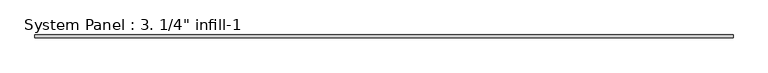
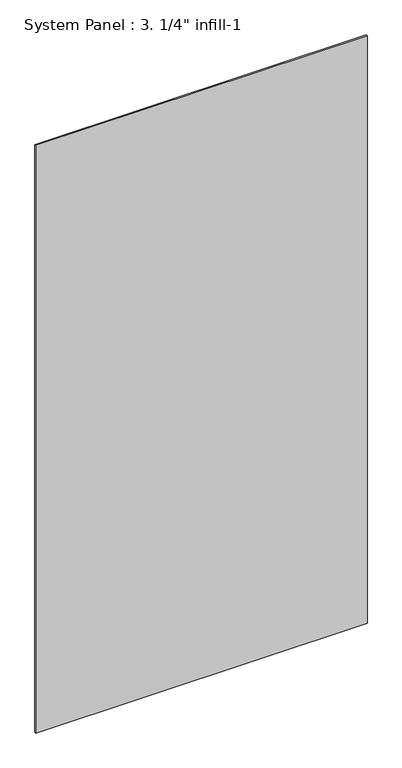
"""IFC4 building model written with IfcOpenShell, lengths in millimetres: plate geometry."""

import ifcopenshell
import ifcopenshell.guid

model = None  # the IFC model being written
_history = None  # IfcOwnerHistory: only IFC2X3 demands one
_inside = {}  # id of a spatial element -> (the spatial element, [elements in it])
_under = {}  # id of a project, library or spatial element -> (it, [spatial elements below it])
_declared = {}  # id of a project -> (the project, [libraries it declares])
_typed = {}  # id of a type object -> (the type object, [elements of that type])
_made_of = {}  # id of a material, layer set ... -> (it, [elements and type objects made of it])


def new_model(schema):
    """Start an empty IFC model of exactly this schema.

    Asked for "IFC4X3", IfcOpenShell would pick the latest addendum, in which some entities
    have other attributes; the version numbers below select the first issue.
    IFC2X3 requires an IfcOwnerHistory on every rooted entity: one is made here for all.
    """
    global model, _history
    if schema == "IFC4X3":
        model = ifcopenshell.file(schema_version=(4, 3, 0, 0))
    else:
        model = ifcopenshell.file(schema=schema)
    _inside.clear()
    _under.clear()
    _declared.clear()
    _typed.clear()
    _made_of.clear()
    _history = None
    if model.schema == "IFC2X3":
        org = make("IfcOrganization", Name="unknown")
        user = make(
            "IfcPersonAndOrganization",
            ThePerson=make("IfcPerson", FamilyName="unknown"),
            TheOrganization=org,
        )
        app = make(
            "IfcApplication",
            ApplicationDeveloper=org,
            Version="unknown",
            ApplicationFullName="unknown",
            ApplicationIdentifier="unknown",
        )
        _history = make(
            "IfcOwnerHistory",
            OwningUser=user,
            OwningApplication=app,
            ChangeAction="ADDED",
            CreationDate=0,
        )
    return model


def make(cls, **values):
    """One entity of the class cls with the attributes given. An attribute that is None is left unset."""
    return model.create_entity(
        cls, **{name: value for name, value in values.items() if value is not None}
    )


def rooted(cls, **values):
    """An entity with a GlobalId (a new one), such as an element, a storey or a relation."""
    return make(cls, GlobalId=ifcopenshell.guid.new(), OwnerHistory=_history, **values)


def si_unit(unit_type, name, prefix=None):
    """IfcSIUnit, for example si_unit("LENGTHUNIT", "METRE", prefix="MILLI")."""
    return make("IfcSIUnit", UnitType=unit_type, Prefix=prefix, Name=name)


def assignment(units):
    """IfcUnitAssignment: the units of a project."""
    return None if units is None else make("IfcUnitAssignment", Units=units)


def point(xyz):
    """IfcCartesianPoint."""
    return None if xyz is None else make("IfcCartesianPoint", Coordinates=xyz)


def direction(xyz):
    """IfcDirection."""
    return None if xyz is None else make("IfcDirection", DirectionRatios=xyz)


def frame(location, z_axis=None, x_axis=None):
    """IfcAxis2Placement3D, a coordinate frame: its origin and axes. An axis left out is left unset."""
    return make(
        "IfcAxis2Placement3D",
        Location=point(location),
        Axis=direction(z_axis),
        RefDirection=direction(x_axis),
    )


def origin():
    """The frame at (0, 0, 0) with its axes left unset."""
    return frame((0.0, 0.0, 0.0))


def origin_with_axes():
    """The frame at (0, 0, 0) with the z axis (0, 0, 1) and the x axis (1, 0, 0) written out."""
    return frame((0.0, 0.0, 0.0), z_axis=(0.0, 0.0, 1.0), x_axis=(1.0, 0.0, 0.0))


def place(relative_to, where):
    """IfcLocalPlacement: puts the frame where relative to a parent placement (None: the world)."""
    return make(
        "IfcLocalPlacement", PlacementRelTo=relative_to, RelativePlacement=where
    )


def context(
    kind, dimensions, precision=None, world=None, true_north=None, identifier=None
):
    """IfcGeometricRepresentationContext, for example the 3D "Model" context."""
    return make(
        "IfcGeometricRepresentationContext",
        ContextIdentifier=identifier,
        ContextType=kind,
        CoordinateSpaceDimension=dimensions,
        Precision=precision,
        WorldCoordinateSystem=world,
        TrueNorth=true_north,
    )


def project(units=None, contexts=None):
    """IfcProject with its units and contexts."""
    return rooted(
        "IfcProject",
        Name="project",
        RepresentationContexts=contexts,
        UnitsInContext=assignment(units),
    )


def spatial(cls, under=None, at=None, **own):
    """A site, building, storey or space (cls), placed at a placement, below another one or the project."""
    s = rooted(cls, ObjectPlacement=at, **own)
    if under is not None:
        _under.setdefault(under.id(), (under, []))[1].append(s)
    return s


def polyline(points):
    """IfcPolyline through the points."""
    return make("IfcPolyline", Points=[point(p) for p in points])


def outline(outer, holes=None, kind="AREA"):
    """IfcArbitraryClosedProfileDef: a profile drawn as a closed curve; with holes, ...WithVoids."""
    if holes is None:
        return make("IfcArbitraryClosedProfileDef", ProfileType=kind, OuterCurve=outer)
    return make(
        "IfcArbitraryProfileDefWithVoids",
        ProfileType=kind,
        OuterCurve=outer,
        InnerCurves=holes,
    )


def extrude(swept, where, along, depth):
    """IfcExtrudedAreaSolid: the profile swept, set in the frame where, extruded along a direction by depth."""
    return make(
        "IfcExtrudedAreaSolid",
        SweptArea=swept,
        Position=where,
        ExtrudedDirection=direction(along),
        Depth=depth,
    )


def shape(context_of_items, identifier, shape_type, items):
    """IfcShapeRepresentation: the items that make up one representation, for example the "Body"."""
    return make(
        "IfcShapeRepresentation",
        ContextOfItems=context_of_items,
        RepresentationIdentifier=identifier,
        RepresentationType=shape_type,
        Items=items,
    )


def source(mapping_origin, context_of_items, identifier, shape_type, items):
    """IfcRepresentationMap: a shape defined once, which mapped items show again and again."""
    return make(
        "IfcRepresentationMap",
        MappingOrigin=mapping_origin,
        MappedRepresentation=shape(context_of_items, identifier, shape_type, items),
    )


def transform(
    local_origin,
    x_axis=None,
    y_axis=None,
    z_axis=None,
    scale=None,
    scale2=None,
    scale3=None,
    uniform=True,
):
    """IfcCartesianTransformationOperator3D, or its non-uniform kind. x_axis, y_axis, z_axis: its Axis1, 2, 3."""
    if uniform:
        return make(
            "IfcCartesianTransformationOperator3D",
            Axis1=direction(x_axis),
            Axis2=direction(y_axis),
            LocalOrigin=point(local_origin),
            Scale=scale,
            Axis3=direction(z_axis),
        )
    return make(
        "IfcCartesianTransformationOperator3DnonUniform",
        Axis1=direction(x_axis),
        Axis2=direction(y_axis),
        LocalOrigin=point(local_origin),
        Scale=scale,
        Axis3=direction(z_axis),
        Scale2=scale2,
        Scale3=scale3,
    )


def mapped(mapping_source, mapping_target):
    """IfcMappedItem: shows the shape of a source again, moved by a transform."""
    return make(
        "IfcMappedItem", MappingSource=mapping_source, MappingTarget=mapping_target
    )


def made_of(thing, what):
    """Note that an element or type object is made of a material, layer set ...; save() writes the relation."""
    if what is not None:
        _made_of.setdefault(what.id(), (what, []))[1].append(thing)
    return thing


def element(
    cls,
    number,
    at=None,
    inside=None,
    cuts=None,
    type_object=None,
    material=None,
    context=None,
    identifier="Body",
    shape_type=None,
    held_by="IfcProductDefinitionShape",
    body=None,
    shapes=None,
    **own,
):
    """One element of the class cls, such as IfcWall. Its Tag is "e" and its number.

    at: its placement. inside: the storey or other place that contains it. cuts: it is an
    opening in that element (IfcRelVoidsElement). A single representation is given by context,
    identifier, shape_type and body (its items); several are given by shapes. held_by: the class
    of the entity that holds the representations. save() writes the other relations.
    """
    e = rooted(cls, Tag="e%d" % number, ObjectPlacement=at, **own)
    if body is not None:
        shapes = [shape(context, identifier, shape_type, body)]
    if shapes is not None:
        e.Representation = make(held_by, Representations=shapes)
    if inside is not None:
        _inside.setdefault(inside.id(), (inside, []))[1].append(e)
    if cuts is not None:
        rooted(
            "IfcRelVoidsElement", RelatingBuildingElement=cuts, RelatedOpeningElement=e
        )
    if type_object is not None:
        _typed.setdefault(type_object.id(), (type_object, []))[1].append(e)
    return made_of(e, material)


def aggregate(whole, parts):
    """IfcRelAggregates: a whole, such as a stair, and the parts it consists of."""
    return rooted("IfcRelAggregates", RelatingObject=whole, RelatedObjects=parts)


def save(model, path):
    """Write the relations noted so far, then the file.

    IfcRelAggregates (storeys below a building ...), IfcRelContainedInSpatialStructure (elements
    in a storey), IfcRelDefinesByType, IfcRelAssociatesMaterial and IfcRelDeclares: one each for
    every whole, place, type object, material and project.
    """
    for whole, parts in _under.values():
        aggregate(whole, parts)
    for where, things in _inside.values():
        rooted(
            "IfcRelContainedInSpatialStructure",
            RelatedElements=things,
            RelatingStructure=where,
        )
    for kind, things in _typed.values():
        rooted("IfcRelDefinesByType", RelatedObjects=things, RelatingType=kind)
    for what, things in _made_of.values():
        rooted("IfcRelAssociatesMaterial", RelatedObjects=things, RelatingMaterial=what)
    for by, libraries in _declared.values():
        rooted("IfcRelDeclares", RelatingContext=by, RelatedDefinitions=libraries)
    model.write(path)


def plate_8b0f5302(model_context):
    return source(origin(), model_context, "Body", "SweptSolid", [
        extrude(outline(polyline([(812.8, -6.35), (-812.8, -6.35), (-812.8, 0.0), (812.8, 0.0), (812.8, -6.35)])), origin_with_axes(), (0.0, 0.0, 1.0), 3048.0),
    ])


if __name__ == "__main__":
    model = new_model("IFC4")
    model_context = context("Model", 3, world=origin())
    ifc_project = project(units=[si_unit("LENGTHUNIT", "METRE", prefix="MILLI")], contexts=[model_context])
    site = spatial("IfcSite", under=ifc_project)
    building = spatial("IfcBuilding", under=site)
    placement = place(None, origin())
    plate_shape = plate_8b0f5302(model_context)
    element("IfcPlate", 1, ObjectType="System Panel : 3. 1/4\" infill-1", at=placement, inside=building, context=model_context, shape_type="MappedRepresentation", body=[
        mapped(plate_shape, transform((0.0, 0.0, 0.0), x_axis=(1.0, 0.0, 0.0), y_axis=(0.0, 1.0, 0.0), z_axis=(0.0, 0.0, 1.0))),
    ])
    save(model, "model.ifc")
